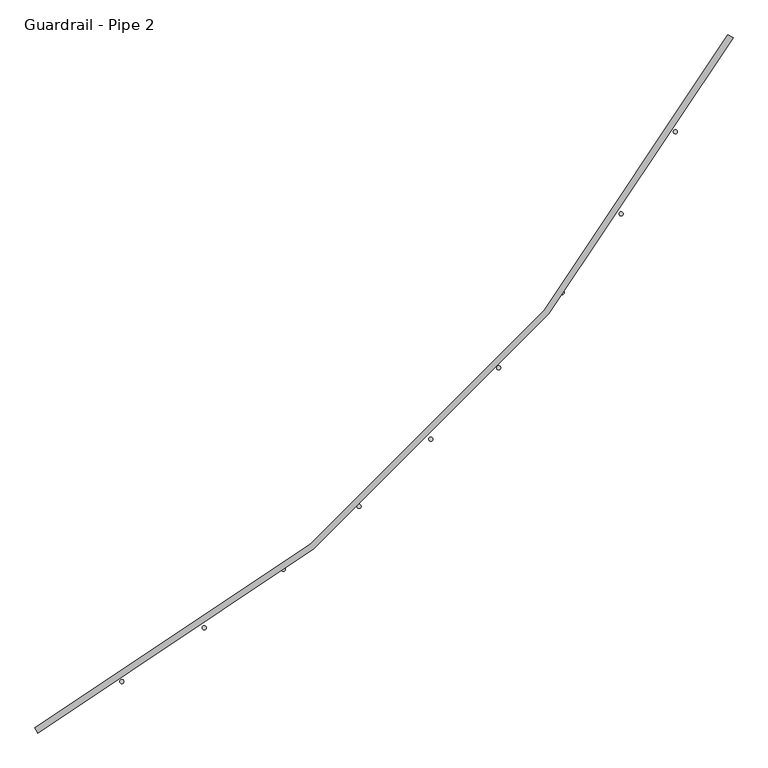
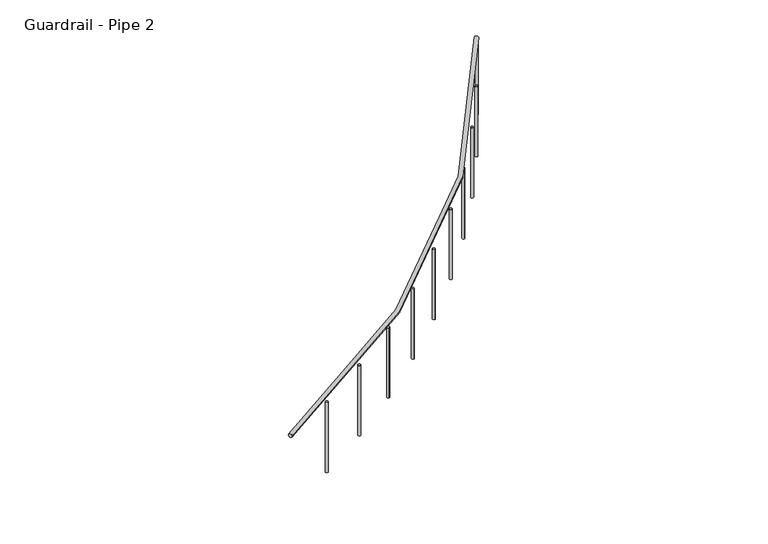
"""IFC4 building model written with IfcOpenShell, lengths in millimetres: railing geometry, Guardrail - Pipe 2."""

from ifc_helpers import new_model, si_unit, point, frame, frame_2d, origin, place, context, project, spatial, circle_curve, ellipse_curve, trimmed, segment, composite_curve, outline, extrude, source, transform, mapped, element, save
from ifc_brep_helpers import plane_surface, revolved_surface, advanced_brep


def guardrail_pipe_2_9743c374(model_context):
    return source(origin(), model_context, "Body", "SolidModel", [
        advanced_brep(
        [(659327.8519382, -289562.30214, 5518.15), (655037.1195853, -293853.0344929, 5518.15), (655055.048997, -293886.65214, 5518.15), (659361.4695853, -289580.2315517, 5518.15)],
        [
            (0, 1, circle_curve(frame((650133.4254676, -284658.6080223, 5518.15), z_axis=(0.0, 0.0, -1.0), x_axis=(0.47058823529371446, -0.8823529411766856, 0.0)), 10420.35)),
            (1, 2, circle_curve(frame((655046.0842911, -293869.8433165, 5518.15), z_axis=(0.8823529411766879, 0.4705882352937101, 0.0), x_axis=(0.4705882352937101, -0.8823529411766879, 0.0)), 19.05)),
            (2, 3, circle_curve(frame((650133.4254676, -284658.6080223, 5518.15), z_axis=(0.0, 0.0, 1.0), x_axis=(0.47058823529371446, -0.8823529411766856, 0.0)), 10458.45)),
            (3, 0, circle_curve(frame((659344.6607617, -289571.2668459, 5518.15), z_axis=(-0.47058823529374266, -0.8823529411766706, 0.0), x_axis=(0.8823529411766706, -0.47058823529374266, 0.0)), 19.05)),
            (2, 1, circle_curve(frame((655046.0842911, -293869.8433165, 5518.15), z_axis=(0.8823529411766872, 0.4705882352937115, 0.0), x_axis=(0.4705882352937115, -0.8823529411766872, 0.0)), 19.05)),
            (0, 3, circle_curve(frame((659344.6607617, -289571.2668459, 5518.15), z_axis=(-0.47058823529374033, -0.8823529411766717, 0.0), x_axis=(0.8823529411766717, -0.47058823529374033, 0.0)), 19.05)),
        ],
        [
            revolved_surface(trimmed(ellipse_curve(frame((655046.0842911, -293869.8433165, 5518.15), z_axis=(-0.8823529411766856, -0.47058823529371446, 0.0), x_axis=(0.47058823529371446, -0.8823529411766856, 0.0)), 19.05, 19.05), [point((655055.048997, -293886.65214, 5518.15))], [point((655037.1195853, -293853.0344929, 5518.15))], True, "CARTESIAN"), (650133.4254676, -284658.6080223, 5537.2), (0.0, 0.0, 1.0)),
            revolved_surface(trimmed(ellipse_curve(frame((655046.0842911, -293869.8433165, 5518.15), z_axis=(-0.8823529411766856, -0.47058823529371446, 0.0), x_axis=(0.47058823529371446, -0.8823529411766856, 0.0)), 19.05, 19.05), [point((655037.1195853, -293853.0344929, 5518.15))], [point((655055.048997, -293886.65214, 5518.15))], True, "CARTESIAN"), (650133.4254676, -284658.6080223, 5537.2), (0.0, 0.0, 1.0)),
            plane_surface(frame((655046.0842911, -293869.8433165, 5537.2), z_axis=(-0.8823529411766856, -0.47058823529371446, 0.0), x_axis=(0.47058823529371446, -0.8823529411766856, 0.0))),
            plane_surface(frame((659344.6607617, -289571.2668459, 5537.2), z_axis=(0.47058823529374844, 0.8823529411766675, 0.0), x_axis=(0.8823529411766675, -0.47058823529374844, 0.0))),
        ],
        [
            (0, [[1, 2, 3, 4]]),
            (1, [[-3, 5, -1, 6]]),
            (2, [[-5, -2]]),
            (3, [[-4, -6]]),
        ],
    ),
        extrude(outline(composite_curve([segment(trimmed(circle_curve(frame_2d((659310.3450203, -289635.0746286)), 12.7), [point((659299.1808846, -289629.020533))], [point((659321.509156, -289641.1287242))], False, "CARTESIAN"), True, "CONTINUOUS"), segment(trimmed(circle_curve(frame_2d((659310.3450203, -289635.0746286)), 12.7), [point((659321.509156, -289641.1287242))], [point((659299.1808846, -289629.020533))], False, "CARTESIAN"), True, "CONTINUOUS")], self_intersect=False)), frame((0.0, 0.0, 4775.2), z_axis=(0.0, 0.0, 1.0), x_axis=(1.0, 0.0, 0.0)), (0.0, 0.0, 1.0), 723.9),
        extrude(outline(composite_curve([segment(trimmed(circle_curve(frame_2d((659004.2719093, -290162.1664865)), 12.7), [point((658993.4801253, -290155.4711599))], [point((659015.0636932, -290168.8618131))], False, "CARTESIAN"), True, "CONTINUOUS"), segment(trimmed(circle_curve(frame_2d((659004.2719093, -290162.1664865)), 12.7), [point((659015.0636932, -290168.8618131))], [point((658993.4801253, -290155.4711599))], False, "CARTESIAN"), True, "CONTINUOUS")], self_intersect=False)), frame((0.0, 0.0, 4775.2), z_axis=(0.0, 0.0, 1.0), x_axis=(1.0, 0.0, 0.0)), (0.0, 0.0, 1.0), 723.9),
        extrude(outline(composite_curve([segment(trimmed(circle_curve(frame_2d((658667.9588885, -290670.4972136)), 12.7), [point((658657.5762444, -290663.1834798))], [point((658678.3415326, -290677.8109474))], False, "CARTESIAN"), True, "CONTINUOUS"), segment(trimmed(circle_curve(frame_2d((658667.9588885, -290670.4972136)), 12.7), [point((658678.3415326, -290677.8109474))], [point((658657.5762444, -290663.1834798))], False, "CARTESIAN"), True, "CONTINUOUS")], self_intersect=False)), frame((0.0, 0.0, 4775.2), z_axis=(0.0, 0.0, 1.0), x_axis=(1.0, 0.0, 0.0)), (0.0, 0.0, 1.0), 723.9),
        extrude(outline(composite_curve([segment(trimmed(circle_curve(frame_2d((658302.5524186, -291158.3339565)), 12.7), [point((658292.6143079, -291150.4267473))], [point((658312.4905292, -291166.2411656))], False, "CARTESIAN"), True, "CONTINUOUS"), segment(trimmed(circle_curve(frame_2d((658302.5524186, -291158.3339565)), 12.7), [point((658312.4905292, -291166.2411656))], [point((658292.6143079, -291150.4267473))], False, "CARTESIAN"), True, "CONTINUOUS")], self_intersect=False)), frame((0.0, 0.0, 4775.2), z_axis=(0.0, 0.0, 1.0), x_axis=(1.0, 0.0, 0.0)), (0.0, 0.0, 1.0), 723.9),
        extrude(outline(composite_curve([segment(trimmed(circle_curve(frame_2d((657909.2981369, -291624.0137241)), 12.7), [point((657899.8384378, -291615.5399945))], [point((657918.7578361, -291632.4874537))], False, "CARTESIAN"), True, "CONTINUOUS"), segment(trimmed(circle_curve(frame_2d((657909.2981369, -291624.0137241)), 12.7), [point((657918.7578361, -291632.4874537))], [point((657899.8384378, -291615.5399945))], False, "CARTESIAN"), True, "CONTINUOUS")], self_intersect=False)), frame((0.0, 0.0, 4775.2), z_axis=(0.0, 0.0, 1.0), x_axis=(1.0, 0.0, 0.0)), (0.0, 0.0, 1.0), 723.9),
        extrude(outline(composite_curve([segment(trimmed(circle_curve(frame_2d((657489.5366117, -292065.9490564)), 12.7), [point((657480.5875714, -292056.9376926))], [point((657498.4856521, -292074.9604202))], False, "CARTESIAN"), True, "CONTINUOUS"), segment(trimmed(circle_curve(frame_2d((657489.5366117, -292065.9490564)), 12.7), [point((657498.4856521, -292074.9604202))], [point((657480.5875714, -292056.9376926))], False, "CARTESIAN"), True, "CONTINUOUS")], self_intersect=False)), frame((0.0, 0.0, 4775.2), z_axis=(0.0, 0.0, 1.0), x_axis=(1.0, 0.0, 0.0)), (0.0, 0.0, 1.0), 723.9),
        extrude(outline(composite_curve([segment(trimmed(circle_curve(frame_2d((657044.6987719, -292482.633436)), 12.7), [point((657036.2908968, -292473.1151569))], [point((657053.1066469, -292492.1517151))], False, "CARTESIAN"), True, "CONTINUOUS"), segment(trimmed(circle_curve(frame_2d((657044.6987719, -292482.633436)), 12.7), [point((657053.1066469, -292492.1517151))], [point((657036.2908968, -292473.1151569))], False, "CARTESIAN"), True, "CONTINUOUS")], self_intersect=False)), frame((0.0, 0.0, 4775.2), z_axis=(0.0, 0.0, 1.0), x_axis=(1.0, 0.0, 0.0)), (0.0, 0.0, 1.0), 723.9),
        extrude(outline(composite_curve([segment(trimmed(circle_curve(frame_2d((656576.3010291, -292872.6464237)), 12.7), [point((656568.462981, -292862.6536763))], [point((656584.1390772, -292882.6391712))], False, "CARTESIAN"), True, "CONTINUOUS"), segment(trimmed(circle_curve(frame_2d((656576.3010291, -292872.6464237)), 12.7), [point((656584.1390772, -292882.6391712))], [point((656568.462981, -292862.6536763))], False, "CARTESIAN"), True, "CONTINUOUS")], self_intersect=False)), frame((0.0, 0.0, 4775.2), z_axis=(0.0, 0.0, 1.0), x_axis=(1.0, 0.0, 0.0)), (0.0, 0.0, 1.0), 723.9),
        extrude(outline(composite_curve([segment(trimmed(circle_curve(frame_2d((656085.9401088, -293234.6585006)), 12.7), [point((656078.6986068, -293224.2253492))], [point((656093.1816108, -293245.0916521))], False, "CARTESIAN"), True, "CONTINUOUS"), segment(trimmed(circle_curve(frame_2d((656085.9401088, -293234.6585006)), 12.7), [point((656093.1816108, -293245.0916521))], [point((656078.6986068, -293224.2253492))], False, "CARTESIAN"), True, "CONTINUOUS")], self_intersect=False)), frame((0.0, 0.0, 4775.2), z_axis=(0.0, 0.0, 1.0), x_axis=(1.0, 0.0, 0.0)), (0.0, 0.0, 1.0), 723.9),
        extrude(outline(composite_curve([segment(trimmed(circle_curve(frame_2d((655575.2876068, -293567.4356005)), 12.7), [point((655568.6673366, -293556.5976108))], [point((655581.9078771, -293578.2735903))], False, "CARTESIAN"), True, "CONTINUOUS"), segment(trimmed(circle_curve(frame_2d((655575.2876068, -293567.4356005)), 12.7), [point((655581.9078771, -293578.2735903))], [point((655568.6673366, -293556.5976108))], False, "CARTESIAN"), True, "CONTINUOUS")], self_intersect=False)), frame((0.0, 0.0, 4775.2), z_axis=(0.0, 0.0, 1.0), x_axis=(1.0, 0.0, 0.0)), (0.0, 0.0, 1.0), 723.9),
    ])


if __name__ == "__main__":
    model = new_model("IFC4")
    model_context = context("Model", 3, world=origin())
    ifc_project = project(units=[si_unit("LENGTHUNIT", "METRE", prefix="MILLI")], contexts=[model_context])
    site = spatial("IfcSite", under=ifc_project)
    building = spatial("IfcBuilding", under=site)
    placement = place(None, origin())
    guardrail_pipe_2_shape = guardrail_pipe_2_9743c374(model_context)
    element("IfcRailing", 1, ObjectType="Guardrail - Pipe 2", at=placement, inside=building, context=model_context, shape_type="MappedRepresentation", body=[
        mapped(guardrail_pipe_2_shape, transform((0.0, 0.0, 0.0), x_axis=(1.0, 0.0, 0.0), y_axis=(0.0, 1.0, 0.0), z_axis=(0.0, 0.0, 1.0))),
    ])
    save(model, "model.ifc")
